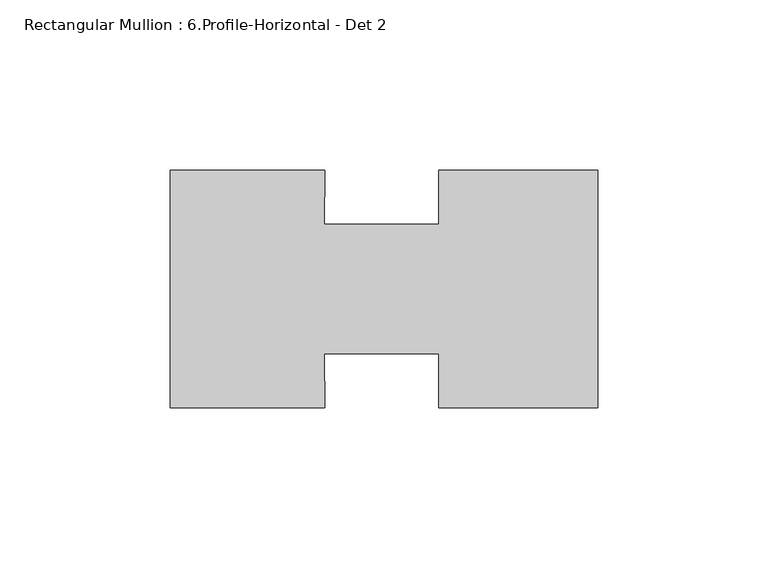
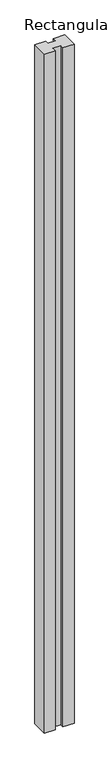
"""IFC4 building model written with IfcOpenShell, lengths in millimetres: member geometry, Rectangular Mullion : 6.Profile-Horizontal - Det 2."""

import ifcopenshell
import ifcopenshell.guid

model = None  # the IFC model being written
_history = None  # IfcOwnerHistory: only IFC2X3 demands one
_inside = {}  # id of a spatial element -> (the spatial element, [elements in it])
_under = {}  # id of a project, library or spatial element -> (it, [spatial elements below it])
_declared = {}  # id of a project -> (the project, [libraries it declares])
_typed = {}  # id of a type object -> (the type object, [elements of that type])
_made_of = {}  # id of a material, layer set ... -> (it, [elements and type objects made of it])


def new_model(schema):
    """Start an empty IFC model of exactly this schema.

    Asked for "IFC4X3", IfcOpenShell would pick the latest addendum, in which some entities
    have other attributes; the version numbers below select the first issue.
    IFC2X3 requires an IfcOwnerHistory on every rooted entity: one is made here for all.
    """
    global model, _history
    if schema == "IFC4X3":
        model = ifcopenshell.file(schema_version=(4, 3, 0, 0))
    else:
        model = ifcopenshell.file(schema=schema)
    _inside.clear()
    _under.clear()
    _declared.clear()
    _typed.clear()
    _made_of.clear()
    _history = None
    if model.schema == "IFC2X3":
        org = make("IfcOrganization", Name="unknown")
        user = make(
            "IfcPersonAndOrganization",
            ThePerson=make("IfcPerson", FamilyName="unknown"),
            TheOrganization=org,
        )
        app = make(
            "IfcApplication",
            ApplicationDeveloper=org,
            Version="unknown",
            ApplicationFullName="unknown",
            ApplicationIdentifier="unknown",
        )
        _history = make(
            "IfcOwnerHistory",
            OwningUser=user,
            OwningApplication=app,
            ChangeAction="ADDED",
            CreationDate=0,
        )
    return model


def make(cls, **values):
    """One entity of the class cls with the attributes given. An attribute that is None is left unset."""
    return model.create_entity(
        cls, **{name: value for name, value in values.items() if value is not None}
    )


def rooted(cls, **values):
    """An entity with a GlobalId (a new one), such as an element, a storey or a relation."""
    return make(cls, GlobalId=ifcopenshell.guid.new(), OwnerHistory=_history, **values)


def si_unit(unit_type, name, prefix=None):
    """IfcSIUnit, for example si_unit("LENGTHUNIT", "METRE", prefix="MILLI")."""
    return make("IfcSIUnit", UnitType=unit_type, Prefix=prefix, Name=name)


def assignment(units):
    """IfcUnitAssignment: the units of a project."""
    return None if units is None else make("IfcUnitAssignment", Units=units)


def point(xyz):
    """IfcCartesianPoint."""
    return None if xyz is None else make("IfcCartesianPoint", Coordinates=xyz)


def direction(xyz):
    """IfcDirection."""
    return None if xyz is None else make("IfcDirection", DirectionRatios=xyz)


def frame(location, z_axis=None, x_axis=None):
    """IfcAxis2Placement3D, a coordinate frame: its origin and axes. An axis left out is left unset."""
    return make(
        "IfcAxis2Placement3D",
        Location=point(location),
        Axis=direction(z_axis),
        RefDirection=direction(x_axis),
    )


def origin():
    """The frame at (0, 0, 0) with its axes left unset."""
    return frame((0.0, 0.0, 0.0))


def place(relative_to, where):
    """IfcLocalPlacement: puts the frame where relative to a parent placement (None: the world)."""
    return make(
        "IfcLocalPlacement", PlacementRelTo=relative_to, RelativePlacement=where
    )


def context(
    kind, dimensions, precision=None, world=None, true_north=None, identifier=None
):
    """IfcGeometricRepresentationContext, for example the 3D "Model" context."""
    return make(
        "IfcGeometricRepresentationContext",
        ContextIdentifier=identifier,
        ContextType=kind,
        CoordinateSpaceDimension=dimensions,
        Precision=precision,
        WorldCoordinateSystem=world,
        TrueNorth=true_north,
    )


def project(units=None, contexts=None):
    """IfcProject with its units and contexts."""
    return rooted(
        "IfcProject",
        Name="project",
        RepresentationContexts=contexts,
        UnitsInContext=assignment(units),
    )


def spatial(cls, under=None, at=None, **own):
    """A site, building, storey or space (cls), placed at a placement, below another one or the project."""
    s = rooted(cls, ObjectPlacement=at, **own)
    if under is not None:
        _under.setdefault(under.id(), (under, []))[1].append(s)
    return s


def polyline(points):
    """IfcPolyline through the points."""
    return make("IfcPolyline", Points=[point(p) for p in points])


def outline(outer, holes=None, kind="AREA"):
    """IfcArbitraryClosedProfileDef: a profile drawn as a closed curve; with holes, ...WithVoids."""
    if holes is None:
        return make("IfcArbitraryClosedProfileDef", ProfileType=kind, OuterCurve=outer)
    return make(
        "IfcArbitraryProfileDefWithVoids",
        ProfileType=kind,
        OuterCurve=outer,
        InnerCurves=holes,
    )


def extrude(swept, where, along, depth):
    """IfcExtrudedAreaSolid: the profile swept, set in the frame where, extruded along a direction by depth."""
    return make(
        "IfcExtrudedAreaSolid",
        SweptArea=swept,
        Position=where,
        ExtrudedDirection=direction(along),
        Depth=depth,
    )


def shape(context_of_items, identifier, shape_type, items):
    """IfcShapeRepresentation: the items that make up one representation, for example the "Body"."""
    return make(
        "IfcShapeRepresentation",
        ContextOfItems=context_of_items,
        RepresentationIdentifier=identifier,
        RepresentationType=shape_type,
        Items=items,
    )


def source(mapping_origin, context_of_items, identifier, shape_type, items):
    """IfcRepresentationMap: a shape defined once, which mapped items show again and again."""
    return make(
        "IfcRepresentationMap",
        MappingOrigin=mapping_origin,
        MappedRepresentation=shape(context_of_items, identifier, shape_type, items),
    )


def transform(
    local_origin,
    x_axis=None,
    y_axis=None,
    z_axis=None,
    scale=None,
    scale2=None,
    scale3=None,
    uniform=True,
):
    """IfcCartesianTransformationOperator3D, or its non-uniform kind. x_axis, y_axis, z_axis: its Axis1, 2, 3."""
    if uniform:
        return make(
            "IfcCartesianTransformationOperator3D",
            Axis1=direction(x_axis),
            Axis2=direction(y_axis),
            LocalOrigin=point(local_origin),
            Scale=scale,
            Axis3=direction(z_axis),
        )
    return make(
        "IfcCartesianTransformationOperator3DnonUniform",
        Axis1=direction(x_axis),
        Axis2=direction(y_axis),
        LocalOrigin=point(local_origin),
        Scale=scale,
        Axis3=direction(z_axis),
        Scale2=scale2,
        Scale3=scale3,
    )


def mapped(mapping_source, mapping_target):
    """IfcMappedItem: shows the shape of a source again, moved by a transform."""
    return make(
        "IfcMappedItem", MappingSource=mapping_source, MappingTarget=mapping_target
    )


def made_of(thing, what):
    """Note that an element or type object is made of a material, layer set ...; save() writes the relation."""
    if what is not None:
        _made_of.setdefault(what.id(), (what, []))[1].append(thing)
    return thing


def element(
    cls,
    number,
    at=None,
    inside=None,
    cuts=None,
    type_object=None,
    material=None,
    context=None,
    identifier="Body",
    shape_type=None,
    held_by="IfcProductDefinitionShape",
    body=None,
    shapes=None,
    **own,
):
    """One element of the class cls, such as IfcWall. Its Tag is "e" and its number.

    at: its placement. inside: the storey or other place that contains it. cuts: it is an
    opening in that element (IfcRelVoidsElement). A single representation is given by context,
    identifier, shape_type and body (its items); several are given by shapes. held_by: the class
    of the entity that holds the representations. save() writes the other relations.
    """
    e = rooted(cls, Tag="e%d" % number, ObjectPlacement=at, **own)
    if body is not None:
        shapes = [shape(context, identifier, shape_type, body)]
    if shapes is not None:
        e.Representation = make(held_by, Representations=shapes)
    if inside is not None:
        _inside.setdefault(inside.id(), (inside, []))[1].append(e)
    if cuts is not None:
        rooted(
            "IfcRelVoidsElement", RelatingBuildingElement=cuts, RelatedOpeningElement=e
        )
    if type_object is not None:
        _typed.setdefault(type_object.id(), (type_object, []))[1].append(e)
    return made_of(e, material)


def aggregate(whole, parts):
    """IfcRelAggregates: a whole, such as a stair, and the parts it consists of."""
    return rooted("IfcRelAggregates", RelatingObject=whole, RelatedObjects=parts)


def save(model, path):
    """Write the relations noted so far, then the file.

    IfcRelAggregates (storeys below a building ...), IfcRelContainedInSpatialStructure (elements
    in a storey), IfcRelDefinesByType, IfcRelAssociatesMaterial and IfcRelDeclares: one each for
    every whole, place, type object, material and project.
    """
    for whole, parts in _under.values():
        aggregate(whole, parts)
    for where, things in _inside.values():
        rooted(
            "IfcRelContainedInSpatialStructure",
            RelatedElements=things,
            RelatingStructure=where,
        )
    for kind, things in _typed.values():
        rooted("IfcRelDefinesByType", RelatedObjects=things, RelatingType=kind)
    for what, things in _made_of.values():
        rooted("IfcRelAssociatesMaterial", RelatedObjects=things, RelatingMaterial=what)
    for by, libraries in _declared.values():
        rooted("IfcRelDeclares", RelatingContext=by, RelatedDefinitions=libraries)
    model.write(path)


def rectangular_mullion_6_profile_horizontal_det_2_7b894789(model_context):
    return source(origin(), model_context, "Body", "SweptSolid", [
        extrude(outline(polyline([(-80.2810629, -34.925), (-125.7808, -34.925), (-125.7808, 34.925), (-80.2810629, 34.925), (-80.4751121, 19.05), (-46.8497888, 19.05), (-46.8497888, 34.925), (0.0, 34.925), (0.0, -34.925), (-46.8503, -34.925), (-46.8503, -19.05), (-80.4751121, -19.05), (-80.2810629, -34.925)])), frame((0.0, 0.0, -3048.0), z_axis=(0.0, 0.0, 1.0), x_axis=(1.0, 0.0, 0.0)), (0.0, 0.0, 1.0), 3048.0),
    ])


if __name__ == "__main__":
    model = new_model("IFC4")
    model_context = context("Model", 3, world=origin())
    ifc_project = project(units=[si_unit("LENGTHUNIT", "METRE", prefix="MILLI")], contexts=[model_context])
    site = spatial("IfcSite", under=ifc_project)
    building = spatial("IfcBuilding", under=site)
    placement = place(None, origin())
    rectangular_mullion_6_profile_horizontal_det_2_shape = rectangular_mullion_6_profile_horizontal_det_2_7b894789(model_context)
    element("IfcMember", 1, ObjectType="Rectangular Mullion : 6.Profile-Horizontal - Det 2", at=placement, inside=building, context=model_context, shape_type="MappedRepresentation", body=[
        mapped(rectangular_mullion_6_profile_horizontal_det_2_shape, transform((0.0, 0.0, 0.0), x_axis=(1.0, 0.0, 0.0), y_axis=(0.0, 1.0, 0.0), z_axis=(0.0, 0.0, 1.0))),
    ])
    save(model, "model.ifc")
